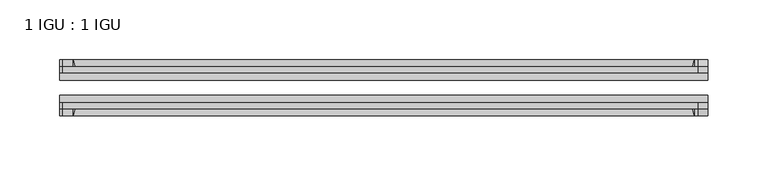
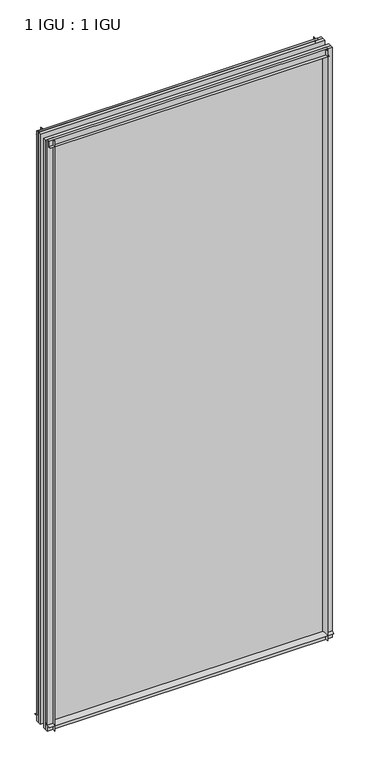
"""IFC4 building model written with IfcOpenShell, lengths in millimetres: plate geometry, 1 IGU : 1 IGU."""

from ifc_helpers import new_model, si_unit, point, frame, frame_2d, origin, place, context, project, spatial, polyline, circle_curve, trimmed, segment, composite_curve, outline, extrude, source, transform, mapped, element, save


def plate_1_igu_1_igu_a0e8f9e0(model_context):
    return source(origin(), model_context, "Body", "SweptSolid", [
        extrude(outline(composite_curve([segment(trimmed(circle_curve(frame_2d((-28.0741797, 32.2797688)), 32.7673262), [point((-44.45, 3.8979053))], [point((-33.7058, 1.48e-05))], True, "CARTESIAN"), True, "CONTINUOUS"), segment(polyline([(-33.7058, 1.48e-05), (-39.6748, 1.48e-05), (-39.6748, -10.31875), (-44.45, -10.31875), (-44.45, 3.8979053)]), True, "CONTINUOUS")], self_intersect=False)), frame((-271.4625, 0.0, 0.0), z_axis=(1.0, 0.0, 0.0), x_axis=(0.0, 1.0, 0.0)), (0.0, 0.0, 1.0), 542.925),
        extrude(outline(composite_curve([segment(trimmed(circle_curve(frame_2d((-86.2258203, 32.2797602)), 32.7673262), [point((-80.5942354, 0.0))], [point((-69.85, 3.8978967))], True, "CARTESIAN"), True, "CONTINUOUS"), segment(polyline([(-69.85, 3.8978967), (-69.85, -10.31875), (-74.6252, -10.31875), (-74.6252, 0.0), (-80.5942354, 0.0)]), True, "CONTINUOUS")], self_intersect=False)), frame((-271.4625, 0.0, 0.0), z_axis=(1.0, 0.0, 0.0), x_axis=(0.0, 1.0, 0.0)), (0.0, 0.0, 1.0), 542.925),
        extrude(outline(composite_curve([segment(polyline([(-80.5942, 1167.60625), (-74.6252, 1167.60625), (-74.6252, 1178.71875), (-69.85, 1178.71875), (-69.85, 1163.7083595)]), True, "CONTINUOUS"), segment(trimmed(circle_curve(frame_2d((-86.2258203, 1135.326496)), 32.7673262), [point((-69.85, 1163.7083595))], [point((-80.5942, 1167.60625))], True, "CARTESIAN"), True, "CONTINUOUS")], self_intersect=False)), frame((-268.8627386, 0.0, 0.0), z_axis=(1.0, 0.0, 0.0), x_axis=(0.0, 1.0, 0.0)), (0.0, 0.0, 1.0), 531.7587001),
        extrude(outline(composite_curve([segment(polyline([(-39.6748, 1178.71875), (-39.6748, 1167.60625), (-33.7058, 1167.60625)]), True, "CONTINUOUS"), segment(trimmed(circle_curve(frame_2d((-28.0741797, 1135.326496)), 32.7673262), [point((-33.7058, 1167.60625))], [point((-44.45, 1163.7083595))], True, "CARTESIAN"), True, "CONTINUOUS"), segment(polyline([(-44.45, 1163.7083595), (-44.45, 1178.71875), (-39.6748, 1178.71875)]), True, "CONTINUOUS")], self_intersect=False)), frame((-268.8627386, 0.0, 0.0), z_axis=(1.0, 0.0, 0.0), x_axis=(0.0, 1.0, 0.0)), (0.0, 0.0, 1.0), 531.7587001),
        extrude(outline(composite_curve([segment(polyline([(271.4625, -39.6748), (271.4625, -44.45), (256.4521095, -44.45)]), True, "CONTINUOUS"), segment(trimmed(circle_curve(frame_2d((228.070246, -28.0741797)), 32.7673262), [point((256.4521095, -44.45))], [point((260.35, -33.7058))], True, "CARTESIAN"), True, "CONTINUOUS"), segment(polyline([(260.35, -33.7058), (260.35, -39.6748), (271.4625, -39.6748)]), True, "CONTINUOUS")], self_intersect=False)), frame((0.0, 0.0, -10.31875), z_axis=(0.0, 0.0, 1.0), x_axis=(1.0, 0.0, 0.0)), (0.0, 0.0, 1.0), 1189.0375),
        extrude(outline(composite_curve([segment(polyline([(271.4625, -69.85), (271.4625, -74.6252), (260.35, -74.6252), (260.35, -80.5942)]), True, "CONTINUOUS"), segment(trimmed(circle_curve(frame_2d((228.070246, -86.2258203)), 32.7673262), [point((260.35, -80.5942))], [point((256.4521095, -69.85))], True, "CARTESIAN"), True, "CONTINUOUS"), segment(polyline([(256.4521095, -69.85), (271.4625, -69.85)]), True, "CONTINUOUS")], self_intersect=False)), frame((0.0, 0.0, -10.31875), z_axis=(0.0, 0.0, 1.0), x_axis=(1.0, 0.0, 0.0)), (0.0, 0.0, 1.0), 1189.0375),
        extrude(outline(composite_curve([segment(polyline([(-271.4625, -39.6748), (-260.35, -39.6748), (-260.35, -33.7058)]), True, "CONTINUOUS"), segment(trimmed(circle_curve(frame_2d((-228.070246, -28.0741797)), 32.7673262), [point((-260.35, -33.7058))], [point((-256.4521095, -44.45))], True, "CARTESIAN"), True, "CONTINUOUS"), segment(polyline([(-256.4521095, -44.45), (-271.4625, -44.45), (-271.4625, -39.6748)]), True, "CONTINUOUS")], self_intersect=False)), frame((0.0, 0.0, -10.31875), z_axis=(0.0, 0.0, 1.0), x_axis=(1.0, 0.0, 0.0)), (0.0, 0.0, 1.0), 1189.0375),
        extrude(outline(composite_curve([segment(polyline([(-271.4625, -74.6252), (-271.4625, -69.85), (-256.4521095, -69.85)]), True, "CONTINUOUS"), segment(trimmed(circle_curve(frame_2d((-228.070246, -86.2258203)), 32.7673262), [point((-256.4521095, -69.85))], [point((-260.35, -80.5942))], True, "CARTESIAN"), True, "CONTINUOUS"), segment(polyline([(-260.35, -80.5942), (-260.35, -74.6252), (-271.4625, -74.6252)]), True, "CONTINUOUS")], self_intersect=False)), frame((0.0, 0.0, -10.31875), z_axis=(0.0, 0.0, 1.0), x_axis=(1.0, 0.0, 0.0)), (0.0, 0.0, 1.0), 1189.0375),
        extrude(outline(polyline([(-271.4625, -69.85), (-271.4625, -63.5508), (271.4625, -63.5508), (271.4625, -69.85), (-271.4625, -69.85)])), frame((0.0, 0.0, -10.31875), z_axis=(0.0, 0.0, 1.0), x_axis=(1.0, 0.0, 0.0)), (0.0, 0.0, 1.0), 1189.0375),
        extrude(outline(polyline([(271.4625, -50.7492), (-271.4625, -50.7492), (-271.4625, -44.45), (271.4625, -44.45), (271.4625, -50.7492)])), frame((0.0, 0.0, -10.31875), z_axis=(0.0, 0.0, 1.0), x_axis=(1.0, 0.0, 0.0)), (0.0, 0.0, 1.0), 1189.0375),
    ])


if __name__ == "__main__":
    model = new_model("IFC4")
    model_context = context("Model", 3, world=origin())
    ifc_project = project(units=[si_unit("LENGTHUNIT", "METRE", prefix="MILLI")], contexts=[model_context])
    site = spatial("IfcSite", under=ifc_project)
    building = spatial("IfcBuilding", under=site)
    placement = place(None, origin())
    plate_1_igu_1_igu_shape = plate_1_igu_1_igu_a0e8f9e0(model_context)
    element("IfcPlate", 1, ObjectType="1 IGU : 1 IGU", at=placement, inside=building, context=model_context, shape_type="MappedRepresentation", body=[
        mapped(plate_1_igu_1_igu_shape, transform((0.0, 0.0, 0.0), x_axis=(1.0, 0.0, 0.0), y_axis=(0.0, 1.0, 0.0), z_axis=(0.0, 0.0, 1.0))),
    ])
    save(model, "model.ifc")
